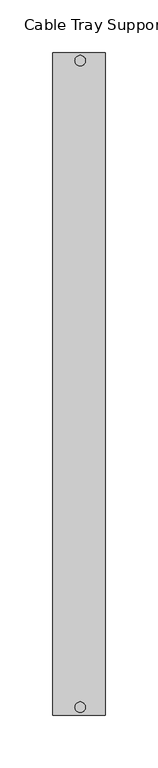
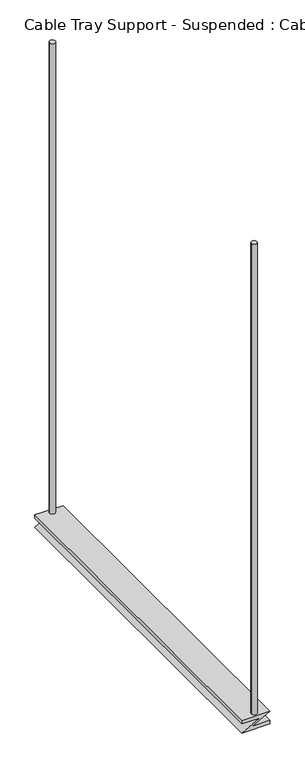
"""IFC4 building model written with IfcOpenShell, lengths in millimetres: proxy geometry, Cable Tray Support - Suspended : Cable Tray Support - Suspended."""

from ifc_helpers import new_model, si_unit, point, frame, frame_2d, origin, origin_with_axes, place, context, project, spatial, polyline, circle_curve, trimmed, segment, composite_curve, outline, extrude, source, transform, mapped, element, save


def cable_tray_support_suspended_cable_tray_support_suspended_37939416(model_context):
    return source(origin(), model_context, "Body", "SweptSolid", [
        extrude(outline(polyline([(0.0, 27.7666734), (0.0, -22.2333266), (-6.0, -22.2333266), (-6.0, 9.0824629), (-23.0, -22.2333266), (-23.0, 27.7666734), (-17.0, 27.7666734), (-17.0, -3.5491161), (0.0, 27.7666734)])), frame((0.0, -315.4, 0.0), z_axis=(0.0, 1.0, 0.0), x_axis=(0.0, 0.0, 1.0)), (0.0, 0.0, 1.0), 630.8),
        extrude(outline(composite_curve([segment(trimmed(circle_curve(frame_2d((4.125, -307.7)), 5.0), [point((-0.875, -307.7))], [point((9.125, -307.7))], False, "CARTESIAN"), True, "CONTINUOUS"), segment(trimmed(circle_curve(frame_2d((4.125, -307.7)), 5.0), [point((9.125, -307.7))], [point((-0.875, -307.7))], False, "CARTESIAN"), True, "CONTINUOUS")], self_intersect=False)), origin_with_axes(), (0.0, 0.0, 1.0), 875.0),
        extrude(outline(composite_curve([segment(trimmed(circle_curve(frame_2d((4.125, 307.7)), 5.0), [point((-0.875, 307.7))], [point((9.125, 307.7))], False, "CARTESIAN"), True, "CONTINUOUS"), segment(trimmed(circle_curve(frame_2d((4.125, 307.7)), 5.0), [point((9.125, 307.7))], [point((-0.875, 307.7))], False, "CARTESIAN"), True, "CONTINUOUS")], self_intersect=False)), origin_with_axes(), (0.0, 0.0, 1.0), 875.0),
    ])


if __name__ == "__main__":
    model = new_model("IFC4")
    model_context = context("Model", 3, world=origin())
    ifc_project = project(units=[si_unit("LENGTHUNIT", "METRE", prefix="MILLI")], contexts=[model_context])
    site = spatial("IfcSite", under=ifc_project)
    building = spatial("IfcBuilding", under=site)
    placement = place(None, origin())
    cable_tray_support_suspended_cable_tray_support_suspended_shape = cable_tray_support_suspended_cable_tray_support_suspended_37939416(model_context)
    element("IfcBuildingElementProxy", 1, Name="Cable Tray Support - Suspended : Cable Tray Support - Suspended", ObjectType="Cable Tray Support - Suspended : Cable Tray Support - Suspended", at=placement, inside=building, context=model_context, shape_type="MappedRepresentation", body=[
        mapped(cable_tray_support_suspended_cable_tray_support_suspended_shape, transform((0.0, 0.0, 0.0), x_axis=(1.0, 0.0, 0.0), y_axis=(0.0, 1.0, 0.0), z_axis=(0.0, 0.0, 1.0))),
    ])
    save(model, "model.ifc")
